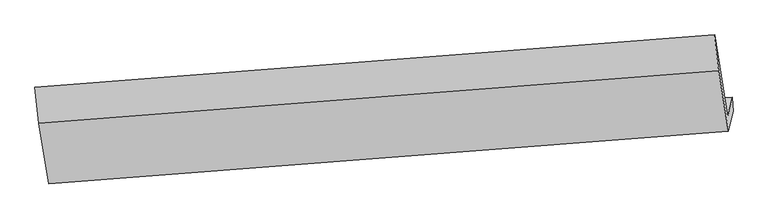
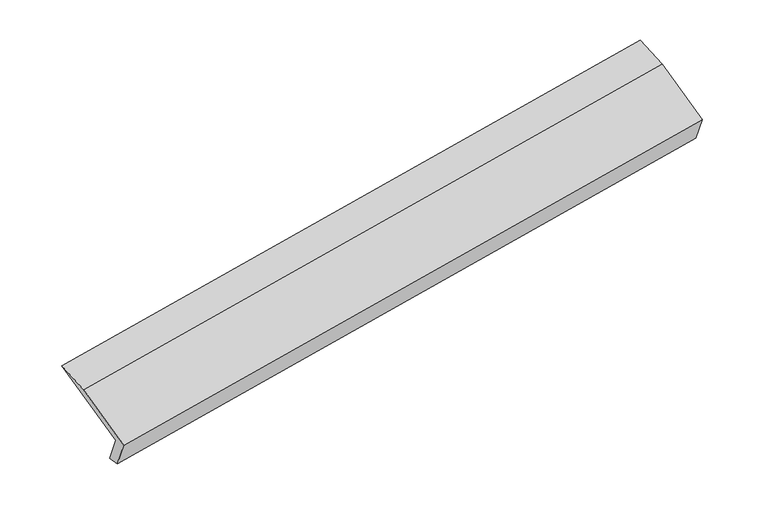
"""IFC4 building model written with IfcOpenShell, lengths in millimetres: proxy geometry."""

from ifc_helpers import new_model, si_unit, origin, place, context, project, spatial, faceted_brep, source, transform, mapped, element, save


def generic_models_464884a7(model_context):
    return source(origin(), model_context, "Body", "Brep", [
        faceted_brep([(-6134.3146709, -1797.2824042, 986.345229), (-6178.652632, -1987.8870896, 1329.2185387), (496.4793763, -1473.2157788, 2478.5074913), (540.8173374, -1282.6110934, 2135.6341816), (-6127.7866088, -1935.8574697, 1006.0745464), (547.3453995, -1421.1861588, 2155.363499), (-6173.4302611, -2132.0751976, 1359.0449976), (501.7017472, -1617.4038868, 2508.3339502), (-6269.259044, -1538.6971122, 1676.5144166), (405.8729643, -1024.0258013, 2825.8033692), (-6308.0683892, -1186.5362644, 1757.9576297), (367.0636191, -671.8649535, 2907.2465823)], [[[0, 1, 2, 3]], [[4, 0, 3, 5]], [[6, 4, 5, 7]], [[8, 6, 7, 9]], [[10, 8, 9, 11]], [[1, 10, 11, 2]], [[9, 7, 5, 3, 2, 11]], [[1, 0, 4, 6, 8, 10]]]),
    ])


if __name__ == "__main__":
    model = new_model("IFC4")
    model_context = context("Model", 3, world=origin())
    ifc_project = project(units=[si_unit("LENGTHUNIT", "METRE", prefix="MILLI")], contexts=[model_context])
    site = spatial("IfcSite", under=ifc_project)
    building = spatial("IfcBuilding", under=site)
    placement = place(None, origin())
    generic_models_shape = generic_models_464884a7(model_context)
    element("IfcBuildingElementProxy", 1, Name="Generic Models", at=placement, inside=building, context=model_context, shape_type="MappedRepresentation", body=[
        mapped(generic_models_shape, transform((0.0, 0.0, 0.0), x_axis=(1.0, 0.0, 0.0), y_axis=(0.0, 1.0, 0.0), z_axis=(0.0, 0.0, 1.0))),
    ])
    save(model, "model.ifc")
